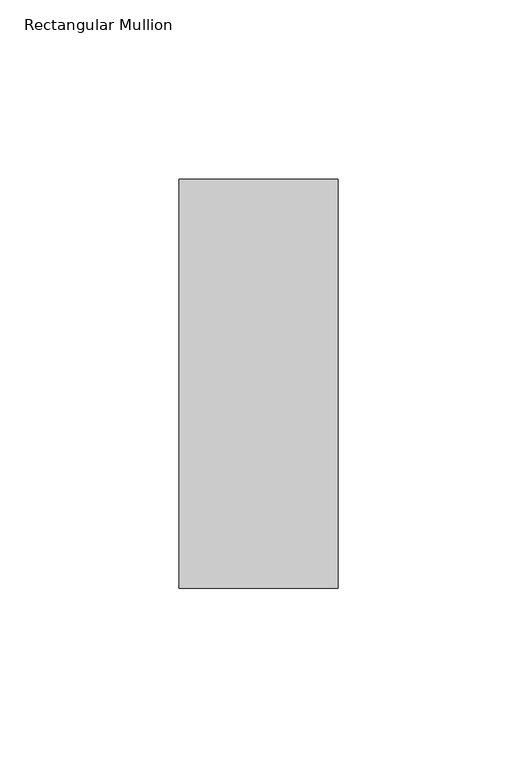
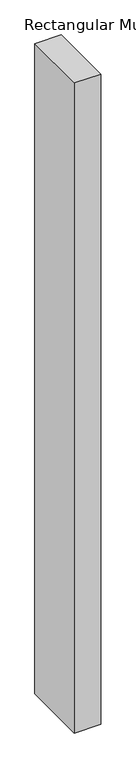
"""IFC4 building model written with IfcOpenShell, lengths in millimetres: member geometry, Rectangular Mullion."""

from ifc_helpers import new_model, si_unit, frame, origin, place, context, project, spatial, polyline, outline, extrude, source, transform, mapped, element, save


def rectangular_mullion_8626bfa9(model_context):
    return source(origin(), model_context, "Body", "SweptSolid", [
        extrude(outline(polyline([(22.225, 57.1464454), (22.225, -57.1475778), (-22.225, -57.1475778), (-22.225, 57.1464454), (22.225, 57.1464454)])), frame((0.0, 0.0, -1152.525), z_axis=(0.0, 0.0, 1.0), x_axis=(1.0, 0.0, 0.0)), (0.0, 0.0, 1.0), 1152.525),
    ])


if __name__ == "__main__":
    model = new_model("IFC4")
    model_context = context("Model", 3, world=origin())
    ifc_project = project(units=[si_unit("LENGTHUNIT", "METRE", prefix="MILLI")], contexts=[model_context])
    site = spatial("IfcSite", under=ifc_project)
    building = spatial("IfcBuilding", under=site)
    placement = place(None, origin())
    rectangular_mullion_shape = rectangular_mullion_8626bfa9(model_context)
    element("IfcMember", 1, ObjectType="Rectangular Mullion", at=placement, inside=building, context=model_context, shape_type="MappedRepresentation", body=[
        mapped(rectangular_mullion_shape, transform((0.0, 0.0, 0.0), x_axis=(1.0, 0.0, 0.0), y_axis=(0.0, 1.0, 0.0), z_axis=(0.0, 0.0, 1.0))),
    ])
    save(model, "model.ifc")
